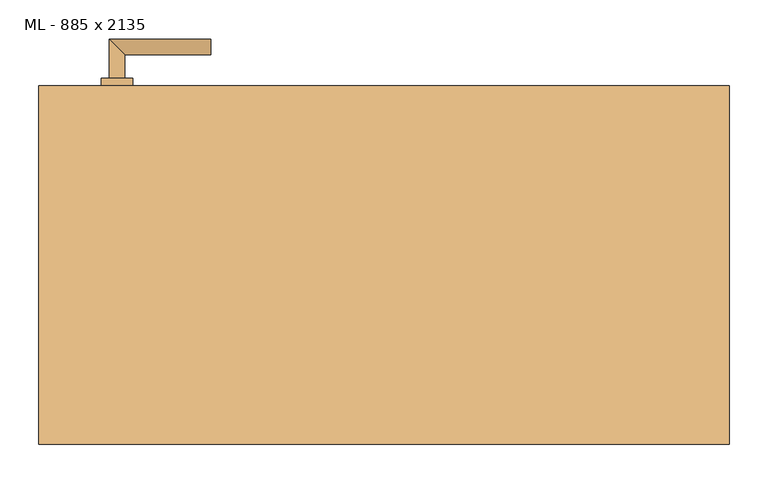
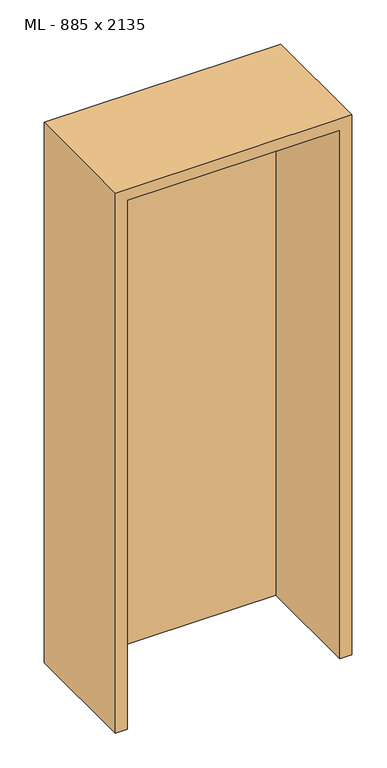
"""IFC4 building model written with IfcOpenShell, lengths in millimetres: door geometry, ML - 885 x 2135."""

from ifc_helpers import new_model, si_unit, point, frame, frame_2d, origin, origin_with_axes, place, context, project, spatial, polyline, circle_curve, ellipse_curve, trimmed, segment, composite_curve, outline, extrude, faceted_brep, source, transform, mapped, element, save
from ifc_brep_helpers import plane_surface, cylinder_surface, advanced_brep


def ml_885_x_2135_1e355de9(model_context):
    return source(origin(), model_context, "Body", "SolidModel", [
        extrude(outline(polyline([(408.5, 230.0), (408.5, 185.0), (-408.5, 185.0), (-408.5, 230.0), (408.5, 230.0)])), origin_with_axes(), (0.0, 0.0, 1.0), 2101.0),
        advanced_brep(
        [(-332.5, 240.0, 1050.0), (-352.5, 240.0, 1050.0), (-332.5, 270.0, 1050.0), (-352.5, 290.0, 1050.0), (-222.5, 270.0, 1050.0), (-222.5, 290.0, 1050.0)],
        [
            (0, 1, circle_curve(frame((-342.5, 240.0, 1050.0), z_axis=(0.0, -1.0, 0.0), x_axis=(-1.0, 0.0, 0.0)), 10.0)),
            (1, 0, circle_curve(frame((-342.5, 240.0, 1050.0), z_axis=(0.0, -1.0, 0.0), x_axis=(-1.0, 0.0, 0.0)), 10.0)),
            (0, 2),
            (2, 3, ellipse_curve(frame((-342.5, 280.0, 1050.0), z_axis=(-0.7071067811865531, -0.7071067811865419, 0.0), x_axis=(0.707106781186542, -0.707106781186553, 0.0)), 14.1421356, 10.0)),
            (3, 1),
            (3, 2, ellipse_curve(frame((-342.5, 280.0, 1050.0), z_axis=(-0.7071067811865531, -0.7071067811865419, 0.0), x_axis=(0.707106781186542, -0.707106781186553, 0.0)), 14.1421356, 10.0)),
            (4, 5, circle_curve(frame((-222.5, 280.0, 1050.0), z_axis=(1.0, 0.0, 0.0), x_axis=(0.0, 1.0, 0.0)), 10.0)),
            (5, 4, circle_curve(frame((-222.5, 280.0, 1050.0), z_axis=(1.0, 0.0, 0.0), x_axis=(0.0, 1.0, 0.0)), 10.0)),
            (2, 4),
            (5, 3),
        ],
        [
            plane_surface(frame((-342.5, 240.0, 1050.0), z_axis=(0.0, -1.0, 0.0), x_axis=(0.0, 0.0, 1.0))),
            cylinder_surface(frame((-342.5, 240.0, 1050.0), z_axis=(0.0, -1.0, 0.0), x_axis=(-1.0, 0.0, 0.0)), 10.0),
            plane_surface(frame((-222.5, 280.0, 1050.0), z_axis=(1.0, 0.0, 0.0), x_axis=(0.0, 0.0, 1.0))),
            cylinder_surface(frame((-342.5, 280.0, 1050.0), z_axis=(-1.0, 0.0, 0.0), x_axis=(0.0, 1.0, 0.0)), 10.0),
        ],
        [
            (0, [[1, 2]]),
            (1, [[-1, 3, 4, 5]]),
            (1, [[-2, -5, 6, -3]]),
            (2, [[7, 8]]),
            (3, [[-4, 9, -8, 10]]),
            (3, [[-6, -10, -7, -9]]),
        ],
    ),
        extrude(outline(composite_curve([segment(trimmed(circle_curve(frame_2d((990.0, -342.5)), 20.0), [point((990.0, -362.5))], [point((990.0, -322.5))], False, "CARTESIAN"), True, "CONTINUOUS"), segment(trimmed(circle_curve(frame_2d((990.0, -342.5)), 20.0), [point((990.0, -322.5))], [point((990.0, -362.5))], False, "CARTESIAN"), True, "CONTINUOUS")], self_intersect=False), holes=[composite_curve([segment(polyline([(976.4601385, -344.897268), (988.4749012, -344.897268)]), True, "CONTINUOUS"), segment(trimmed(circle_curve(frame_2d((995.0361633, -342.5)), 6.9854888), [point((988.4749012, -344.897268))], [point((988.4749012, -340.102732))], True, "CARTESIAN"), True, "CONTINUOUS"), segment(polyline([(988.4749012, -340.102732), (976.4601385, -340.102732)]), True, "CONTINUOUS"), segment(trimmed(circle_curve(frame_2d((976.4601385, -342.5)), 2.397268), [point((976.4601385, -340.102732))], [point((976.4601385, -344.897268))], True, "CARTESIAN"), True, "CONTINUOUS")], self_intersect=False)]), frame((0.0, 230.0, 0.0), z_axis=(0.0, 1.0, 0.0), x_axis=(0.0, 0.0, 1.0)), (0.0, 0.0, 1.0), 10.0),
        advanced_brep(
        [(-332.5, 240.0, 1050.0), (-352.5, 240.0, 1050.0), (-332.5, 270.0, 1050.0), (-352.5, 290.0, 1050.0), (-222.5, 270.0, 1050.0), (-222.5, 290.0, 1050.0)],
        [
            (0, 1, circle_curve(frame((-342.5, 240.0, 1050.0), z_axis=(0.0, -1.0, 0.0), x_axis=(-1.0, 0.0, 0.0)), 10.0)),
            (1, 0, circle_curve(frame((-342.5, 240.0, 1050.0), z_axis=(0.0, -1.0, 0.0), x_axis=(-1.0, 0.0, 0.0)), 10.0)),
            (0, 2),
            (2, 3, ellipse_curve(frame((-342.5, 280.0, 1050.0), z_axis=(-0.7071067811865537, -0.7071067811865414, 0.0), x_axis=(0.7071067811865414, -0.7071067811865536, 0.0)), 14.1421356, 10.0)),
            (3, 1),
            (3, 2, ellipse_curve(frame((-342.5, 280.0, 1050.0), z_axis=(-0.7071067811865537, -0.7071067811865414, 0.0), x_axis=(0.7071067811865414, -0.7071067811865536, 0.0)), 14.1421356, 10.0)),
            (4, 5, circle_curve(frame((-222.5, 280.0, 1050.0), z_axis=(1.0, 0.0, 0.0), x_axis=(0.0, 1.0, 0.0)), 10.0)),
            (5, 4, circle_curve(frame((-222.5, 280.0, 1050.0), z_axis=(1.0, 0.0, 0.0), x_axis=(0.0, 1.0, 0.0)), 10.0)),
            (2, 4),
            (5, 3),
        ],
        [
            plane_surface(frame((-342.5, 240.0, 1050.0), z_axis=(0.0, -1.0, 0.0), x_axis=(0.0, 0.0, 1.0))),
            cylinder_surface(frame((-342.5, 240.0, 1050.0), z_axis=(0.0, -1.0, 0.0), x_axis=(-1.0, 0.0, 0.0)), 10.0),
            plane_surface(frame((-222.5, 280.0, 1050.0), z_axis=(1.0, 0.0, 0.0), x_axis=(0.0, 0.0, 1.0))),
            cylinder_surface(frame((-342.5, 280.0, 1050.0), z_axis=(-1.0, 0.0, 0.0), x_axis=(0.0, 1.0, 0.0)), 10.0),
        ],
        [
            (0, [[1, 2]]),
            (1, [[-1, 3, 4, 5]]),
            (1, [[-2, -5, 6, -3]]),
            (2, [[7, 8]]),
            (3, [[-4, 9, -8, 10]]),
            (3, [[-6, -10, -7, -9]]),
        ],
    ),
        extrude(outline(composite_curve([segment(trimmed(circle_curve(frame_2d((1050.0, -342.5)), 20.0), [point((1050.0, -362.5))], [point((1050.0, -322.5))], False, "CARTESIAN"), True, "CONTINUOUS"), segment(trimmed(circle_curve(frame_2d((1050.0, -342.5)), 20.0), [point((1050.0, -322.5))], [point((1050.0, -362.5))], False, "CARTESIAN"), True, "CONTINUOUS")], self_intersect=False)), frame((0.0, 230.0, 0.0), z_axis=(0.0, 1.0, 0.0), x_axis=(0.0, 0.0, 1.0)), (0.0, 0.0, 1.0), 10.0),
        advanced_brep(
        [(-332.5, 175.0, 1050.0), (-352.5, 175.0, 1050.0), (-352.5, 125.0, 1050.0), (-332.5, 145.0, 1050.0), (-222.5, 145.0, 1050.0), (-222.5, 125.0, 1050.0)],
        [
            (0, 1, circle_curve(frame((-342.5, 175.0, 1050.0), z_axis=(0.0, 1.0, 0.0), x_axis=(-1.0, 0.0, 0.0)), 10.0)),
            (1, 0, circle_curve(frame((-342.5, 175.0, 1050.0), z_axis=(0.0, 1.0, 0.0), x_axis=(-1.0, 0.0, 0.0)), 10.0)),
            (1, 2),
            (2, 3, ellipse_curve(frame((-342.5, 135.0, 1050.0), z_axis=(-0.7071067811865486, 0.7071067811865464, 0.0), x_axis=(0.7071067811865464, 0.7071067811865488, 0.0)), 14.1421356, 10.0)),
            (3, 0),
            (3, 2, ellipse_curve(frame((-342.5, 135.0, 1050.0), z_axis=(-0.7071067811865486, 0.7071067811865464, 0.0), x_axis=(0.7071067811865464, 0.7071067811865488, 0.0)), 14.1421356, 10.0)),
            (4, 5, circle_curve(frame((-222.5, 135.0, 1050.0), z_axis=(1.0, 0.0, 0.0), x_axis=(0.0, -1.0, 0.0)), 10.0)),
            (5, 4, circle_curve(frame((-222.5, 135.0, 1050.0), z_axis=(1.0, 0.0, 0.0), x_axis=(0.0, -1.0, 0.0)), 10.0)),
            (2, 5),
            (4, 3),
        ],
        [
            plane_surface(frame((-342.5, 175.0, 1050.0), z_axis=(0.0, 1.0, 0.0), x_axis=(0.0, 0.0, 1.0))),
            cylinder_surface(frame((-342.5, 175.0, 1050.0), z_axis=(0.0, 1.0, 0.0), x_axis=(-1.0, 0.0, 0.0)), 10.0),
            plane_surface(frame((-222.5, 135.0, 1050.0), z_axis=(1.0, 0.0, 0.0), x_axis=(0.0, 0.0, 1.0))),
            cylinder_surface(frame((-342.5, 135.0, 1050.0), z_axis=(-1.0, 0.0, 0.0), x_axis=(0.0, -1.0, 0.0)), 10.0),
        ],
        [
            (0, [[1, 2]]),
            (1, [[3, 4, 5, -2]]),
            (1, [[-5, 6, -3, -1]]),
            (2, [[7, 8]]),
            (3, [[9, -7, 10, -4]]),
            (3, [[-10, -8, -9, -6]]),
        ],
    ),
        extrude(outline(composite_curve([segment(trimmed(circle_curve(frame_2d((990.0, -342.5)), 20.0), [point((990.0, -362.5))], [point((990.0, -322.5))], False, "CARTESIAN"), True, "CONTINUOUS"), segment(trimmed(circle_curve(frame_2d((990.0, -342.5)), 20.0), [point((990.0, -322.5))], [point((990.0, -362.5))], False, "CARTESIAN"), True, "CONTINUOUS")], self_intersect=False), holes=[composite_curve([segment(polyline([(976.4601385, -344.897268), (988.4749012, -344.897268)]), True, "CONTINUOUS"), segment(trimmed(circle_curve(frame_2d((995.0361633, -342.5)), 6.9854888), [point((988.4749012, -344.897268))], [point((988.4749012, -340.102732))], True, "CARTESIAN"), True, "CONTINUOUS"), segment(polyline([(988.4749012, -340.102732), (976.4601385, -340.102732)]), True, "CONTINUOUS"), segment(trimmed(circle_curve(frame_2d((976.4601385, -342.5)), 2.397268), [point((976.4601385, -340.102732))], [point((976.4601385, -344.897268))], True, "CARTESIAN"), True, "CONTINUOUS")], self_intersect=False)]), frame((0.0, 175.0, 0.0), z_axis=(0.0, 1.0, 0.0), x_axis=(0.0, 0.0, 1.0)), (0.0, 0.0, 1.0), 10.0),
        advanced_brep(
        [(-332.5, 175.0, 1050.0), (-352.5, 175.0, 1050.0), (-352.5, 125.0, 1050.0), (-332.5, 145.0, 1050.0), (-222.5, 145.0, 1050.0), (-222.5, 125.0, 1050.0)],
        [
            (0, 1, circle_curve(frame((-342.5, 175.0, 1050.0), z_axis=(0.0, 1.0, 0.0), x_axis=(-1.0, 0.0, 0.0)), 10.0)),
            (1, 0, circle_curve(frame((-342.5, 175.0, 1050.0), z_axis=(0.0, 1.0, 0.0), x_axis=(-1.0, 0.0, 0.0)), 10.0)),
            (1, 2),
            (2, 3, ellipse_curve(frame((-342.5, 135.0, 1050.0), z_axis=(-0.7071067811865491, 0.7071067811865459, 0.0), x_axis=(0.7071067811865458, 0.7071067811865492, 0.0)), 14.1421356, 10.0)),
            (3, 0),
            (3, 2, ellipse_curve(frame((-342.5, 135.0, 1050.0), z_axis=(-0.7071067811865491, 0.7071067811865459, 0.0), x_axis=(0.7071067811865458, 0.7071067811865492, 0.0)), 14.1421356, 10.0)),
            (4, 5, circle_curve(frame((-222.5, 135.0, 1050.0), z_axis=(1.0, 0.0, 0.0), x_axis=(0.0, -1.0, 0.0)), 10.0)),
            (5, 4, circle_curve(frame((-222.5, 135.0, 1050.0), z_axis=(1.0, 0.0, 0.0), x_axis=(0.0, -1.0, 0.0)), 10.0)),
            (2, 5),
            (4, 3),
        ],
        [
            plane_surface(frame((-342.5, 175.0, 1050.0), z_axis=(0.0, 1.0, 0.0), x_axis=(0.0, 0.0, 1.0))),
            cylinder_surface(frame((-342.5, 175.0, 1050.0), z_axis=(0.0, 1.0, 0.0), x_axis=(-1.0, 0.0, 0.0)), 10.0),
            plane_surface(frame((-222.5, 135.0, 1050.0), z_axis=(1.0, 0.0, 0.0), x_axis=(0.0, 0.0, 1.0))),
            cylinder_surface(frame((-342.5, 135.0, 1050.0), z_axis=(-1.0, 0.0, 0.0), x_axis=(0.0, -1.0, 0.0)), 10.0),
        ],
        [
            (0, [[1, 2]]),
            (1, [[3, 4, 5, -2]]),
            (1, [[-5, 6, -3, -1]]),
            (2, [[7, 8]]),
            (3, [[9, -7, 10, -4]]),
            (3, [[-10, -8, -9, -6]]),
        ],
    ),
        extrude(outline(composite_curve([segment(trimmed(circle_curve(frame_2d((1050.0, -342.5)), 20.0), [point((1050.0, -362.5))], [point((1050.0, -322.5))], False, "CARTESIAN"), True, "CONTINUOUS"), segment(trimmed(circle_curve(frame_2d((1050.0, -342.5)), 20.0), [point((1050.0, -322.5))], [point((1050.0, -362.5))], False, "CARTESIAN"), True, "CONTINUOUS")], self_intersect=False)), frame((0.0, 175.0, 0.0), z_axis=(0.0, 1.0, 0.0), x_axis=(0.0, 0.0, 1.0)), (0.0, 0.0, 1.0), 10.0),
        faceted_brep([(-412.5, 230.0, 0.0), (-412.5, 185.0, 0.0), (-397.5, 185.0, 0.0), (-397.5, -230.0, 0.0), (-442.5, -230.0, 0.0), (-442.5, 230.0, 0.0), (-412.5, 230.0, 2105.0), (-412.5, 185.0, 2105.0), (412.5, 185.0, 2105.0), (412.5, 185.0, 0.0), (397.5, 185.0, 0.0), (397.5, 185.0, 2090.0), (-397.5, 185.0, 2090.0), (-397.5, -230.0, 2090.0), (397.5, -230.0, 2090.0), (397.5, -230.0, 0.0), (442.5, -230.0, 0.0), (442.5, -230.0, 2135.0), (-442.5, -230.0, 2135.0), (-442.5, 230.0, 2135.0), (442.5, 230.0, 2135.0), (442.5, 230.0, 0.0), (412.5, 230.0, 0.0), (412.5, 230.0, 2105.0)], [[[0, 1, 2, 3, 4, 5]], [[1, 0, 6, 7]], [[2, 1, 7, 8, 9, 10, 11, 12]], [[3, 2, 12, 13]], [[4, 3, 13, 14, 15, 16, 17, 18]], [[5, 4, 18, 19]], [[0, 5, 19, 20, 21, 22, 23, 6]], [[20, 17, 16, 21]], [[22, 21, 16, 15, 10, 9]], [[8, 23, 22, 9]], [[14, 11, 10, 15]], [[19, 18, 17, 20]], [[13, 12, 11, 14]], [[7, 6, 23, 8]]]),
    ])


if __name__ == "__main__":
    model = new_model("IFC4")
    model_context = context("Model", 3, world=origin())
    ifc_project = project(units=[si_unit("LENGTHUNIT", "METRE", prefix="MILLI")], contexts=[model_context])
    site = spatial("IfcSite", under=ifc_project)
    building = spatial("IfcBuilding", under=site)
    placement = place(None, origin())
    ml_885_x_2135_shape = ml_885_x_2135_1e355de9(model_context)
    element("IfcDoor", 1, ObjectType="ML - 885 x 2135", at=placement, inside=building, context=model_context, shape_type="MappedRepresentation", body=[
        mapped(ml_885_x_2135_shape, transform((0.0, 0.0, 0.0), x_axis=(1.0, 0.0, 0.0), y_axis=(0.0, 1.0, 0.0), z_axis=(0.0, 0.0, 1.0))),
    ])
    save(model, "model.ifc")
